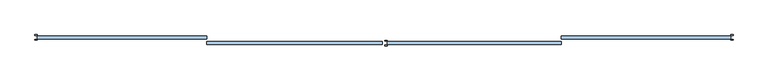
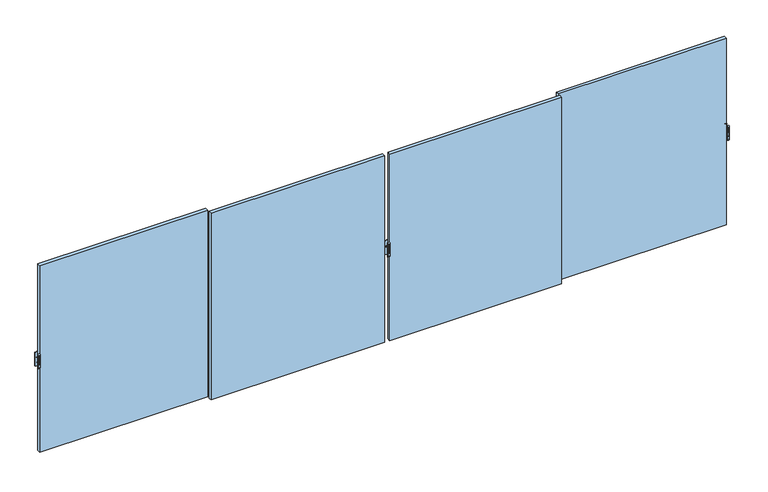
"""IFC4 building model written with IfcOpenShell, lengths in millimetres: window geometry."""

from ifc_helpers import new_model, si_unit, point, frame, frame_2d, origin, place, context, project, spatial, polyline, circle_curve, trimmed, segment, composite_curve, outline, extrude, source, transform, mapped, element, save
from ifc_brep_helpers import plane_surface, cylinder_surface, advanced_brep


def window_227c049d(model_context):
    return source(origin(), model_context, "Body", "SolidModel", [
        extrude(outline(composite_curve([segment(polyline([(-57.5, 2475.2189223), (-57.5, 2539.6559659)]), True, "CONTINUOUS"), segment(trimmed(circle_curve(frame_2d((-46.9370436, 2539.6559659)), 10.5629564), [point((-57.5, 2539.6559659))], [point((-46.9370436, 2550.2189223))], False, "CARTESIAN"), True, "CONTINUOUS"), segment(polyline([(-46.9370436, 2550.2189223), (-51.7185218, 2475.2189223), (-57.5, 2475.2189223)]), True, "CONTINUOUS")], self_intersect=False)), frame((-2828.5110704, 0.0, 0.0), z_axis=(1.0, 0.0, 0.0), x_axis=(0.0, 1.0, 0.0)), (0.0, 0.0, 1.0), 14.8235768),
        advanced_brep(
        [(-2803.1034585, -57.5, 2407.5), (-2803.1034585, -45.5, 2390.0), (-2803.1034585, -45.5, 2650.0), (-2803.1034585, -57.5, 2632.5), (-2839.0571491, -57.5, 2407.5), (-2839.0571491, -57.5, 2632.5), (-2839.0571491, -45.5, 2650.0), (-2839.0571491, -45.5, 2390.0), (-2829.894534, -57.5, 2616.667345), (-2812.30403, -57.5, 2616.667345), (-2812.30403, -57.5, 2460.7687336), (-2829.894534, -57.5, 2460.7687336), (-2812.30403, -46.9370436, 2616.667345), (-2829.894534, -46.9370436, 2616.667345), (-2829.894534, -46.9370436, 2460.7687336), (-2812.30403, -46.9370436, 2460.7687336)],
        [
            (0, 1, circle_curve(frame((-2803.1034585, -38.7395833, 2407.5), z_axis=(1.0, 0.0, 0.0), x_axis=(0.0, 0.0, -1.0)), 18.7604167)),
            (1, 2),
            (2, 3, circle_curve(frame((-2803.1034585, -38.7395833, 2632.5), z_axis=(1.0, 0.0, 0.0), x_axis=(0.0, 0.0, -1.0)), 18.7604167)),
            (3, 0),
            (4, 5),
            (5, 6, circle_curve(frame((-2839.0571491, -38.7395833, 2632.5), z_axis=(-1.0, 0.0, 0.0), x_axis=(0.0, 0.0, -1.0)), 18.7604167)),
            (6, 7),
            (7, 4, circle_curve(frame((-2839.0571491, -38.7395833, 2407.5), z_axis=(-1.0, 0.0, 0.0), x_axis=(0.0, 0.0, -1.0)), 18.7604167)),
            (1, 7),
            (6, 2),
            (3, 5),
            (4, 0),
            (8, 9),
            (9, 10),
            (10, 11),
            (11, 8),
            (12, 13),
            (13, 14),
            (14, 15),
            (15, 12),
            (12, 9),
            (8, 13),
            (11, 14),
            (10, 15),
        ],
        [
            plane_surface(frame((-2803.1034585, -38.7395833, 2388.7395833), z_axis=(1.0, 0.0, 0.0), x_axis=(0.0, 1.0, 0.0))),
            plane_surface(frame((-2839.0571491, -38.7395833, 2388.7395833), z_axis=(-1.0, 0.0, 0.0), x_axis=(0.0, -1.0, 0.0))),
            plane_surface(frame((-2803.1034585, -45.5, 2390.0), z_axis=(0.0, 1.0, 0.0), x_axis=(-1.0, 0.0, 0.0))),
            plane_surface(frame((-2803.1034585, -57.5, 2632.5), z_axis=(0.0, -1.0, 0.0), x_axis=(-1.0, 0.0, 0.0))),
            plane_surface(frame((-2829.894534, -46.9370436, 2616.667345), z_axis=(0.0, -1.0, 0.0), x_axis=(1.0, 0.0, 0.0))),
            plane_surface(frame((-2812.30403, -57.5, 2616.667345), z_axis=(0.0, 0.0, -1.0), x_axis=(0.0, 1.0, 0.0))),
            plane_surface(frame((-2829.894534, -57.5, 2616.667345), z_axis=(1.0, 0.0, 0.0), x_axis=(0.0, 1.0, 0.0))),
            plane_surface(frame((-2829.894534, -57.5, 2460.7687336), z_axis=(0.0, 0.0, 1.0), x_axis=(0.0, 1.0, 0.0))),
            plane_surface(frame((-2812.30403, -57.5, 2460.7687336), z_axis=(-1.0, 0.0, 0.0), x_axis=(0.0, 1.0, 0.0))),
            cylinder_surface(frame((-2839.0571491, -38.7395833, 2407.5), z_axis=(1.0, 0.0, 0.0), x_axis=(0.0, 0.0, -1.0)), 18.7604167),
            cylinder_surface(frame((-2839.0571491, -38.7395833, 2632.5), z_axis=(1.0, 0.0, 0.0), x_axis=(0.0, 0.0, -1.0)), 18.7604167),
        ],
        [
            (0, [[1, 2, 3, 4]]),
            (1, [[5, 6, 7, 8]]),
            (2, [[-2, 9, -7, 10]]),
            (3, [[-4, 11, -5, 12], [13, 14, 15, 16]]),
            (4, [[17, 18, 19, 20]]),
            (5, [[-17, 21, -13, 22]]),
            (6, [[-18, -22, -16, 23]]),
            (7, [[-19, -23, -15, 24]]),
            (8, [[-20, -24, -14, -21]]),
            (9, [[-1, -12, -8, -9]]),
            (10, [[-3, -10, -6, -11]]),
        ],
    ),
        extrude(outline(composite_curve([segment(polyline([(-155.3, 2475.2189223), (-155.3, 2539.6559659)]), True, "CONTINUOUS"), segment(trimmed(circle_curve(frame_2d((-144.7370436, 2539.6559659)), 10.5629564), [point((-155.3, 2539.6559659))], [point((-144.7370436, 2550.2189223))], False, "CARTESIAN"), True, "CONTINUOUS"), segment(polyline([(-144.7370436, 2550.2189223), (-149.5185218, 2475.2189223), (-155.3, 2475.2189223)]), True, "CONTINUOUS")], self_intersect=False)), frame((3126.9417723, 0.0, 0.0), z_axis=(1.0, 0.0, 0.0), x_axis=(0.0, 1.0, 0.0)), (0.0, 0.0, 1.0), 14.8235768),
        advanced_brep(
        [(3152.3493842, -155.3, 2407.5), (3152.3493842, -143.3, 2390.0), (3152.3493842, -143.3, 2650.0), (3152.3493842, -155.3, 2632.5), (3116.3956935, -155.3, 2407.5), (3116.3956935, -155.3, 2632.5), (3116.3956935, -143.3, 2650.0), (3116.3956935, -143.3, 2390.0), (3125.5583087, -155.3, 2616.667345), (3143.1488127, -155.3, 2616.667345), (3143.1488127, -155.3, 2460.7687336), (3125.5583087, -155.3, 2460.7687336), (3143.1488127, -144.7370436, 2616.667345), (3125.5583087, -144.7370436, 2616.667345), (3125.5583087, -144.7370436, 2460.7687336), (3143.1488127, -144.7370436, 2460.7687336)],
        [
            (0, 1, circle_curve(frame((3152.3493842, -136.5395833, 2407.5), z_axis=(1.0, 0.0, 0.0), x_axis=(0.0, 0.0, -1.0)), 18.7604167)),
            (1, 2),
            (2, 3, circle_curve(frame((3152.3493842, -136.5395833, 2632.5), z_axis=(1.0, 0.0, 0.0), x_axis=(0.0, 0.0, -1.0)), 18.7604167)),
            (3, 0),
            (4, 5),
            (5, 6, circle_curve(frame((3116.3956935, -136.5395833, 2632.5), z_axis=(-1.0, 0.0, 0.0), x_axis=(0.0, 0.0, -1.0)), 18.7604167)),
            (6, 7),
            (7, 4, circle_curve(frame((3116.3956935, -136.5395833, 2407.5), z_axis=(-1.0, 0.0, 0.0), x_axis=(0.0, 0.0, -1.0)), 18.7604167)),
            (1, 7),
            (6, 2),
            (3, 5),
            (4, 0),
            (8, 9),
            (9, 10),
            (10, 11),
            (11, 8),
            (12, 13),
            (13, 14),
            (14, 15),
            (15, 12),
            (12, 9),
            (8, 13),
            (11, 14),
            (10, 15),
        ],
        [
            plane_surface(frame((3152.3493842, -136.5395833, 2388.7395833), z_axis=(1.0, 0.0, 0.0), x_axis=(0.0, 1.0, 0.0))),
            plane_surface(frame((3116.3956935, -136.5395833, 2388.7395833), z_axis=(-1.0, 0.0, 0.0), x_axis=(0.0, -1.0, 0.0))),
            plane_surface(frame((3152.3493842, -143.3, 2390.0), z_axis=(0.0, 1.0, 0.0), x_axis=(-1.0, 0.0, 0.0))),
            plane_surface(frame((3152.3493842, -155.3, 2632.5), z_axis=(0.0, -1.0, 0.0), x_axis=(-1.0, 0.0, 0.0))),
            plane_surface(frame((3125.5583087, -144.7370436, 2616.667345), z_axis=(0.0, -1.0, 0.0), x_axis=(1.0, 0.0, 0.0))),
            plane_surface(frame((3143.1488127, -155.3, 2616.667345), z_axis=(0.0, 0.0, -1.0), x_axis=(0.0, 1.0, 0.0))),
            plane_surface(frame((3125.5583087, -155.3, 2616.667345), z_axis=(1.0, 0.0, 0.0), x_axis=(0.0, 1.0, 0.0))),
            plane_surface(frame((3125.5583087, -155.3, 2460.7687336), z_axis=(0.0, 0.0, 1.0), x_axis=(0.0, 1.0, 0.0))),
            plane_surface(frame((3143.1488127, -155.3, 2460.7687336), z_axis=(-1.0, 0.0, 0.0), x_axis=(0.0, 1.0, 0.0))),
            cylinder_surface(frame((3116.3956935, -136.5395833, 2407.5), z_axis=(1.0, 0.0, 0.0), x_axis=(0.0, 0.0, -1.0)), 18.7604167),
            cylinder_surface(frame((3116.3956935, -136.5395833, 2632.5), z_axis=(1.0, 0.0, 0.0), x_axis=(0.0, 0.0, -1.0)), 18.7604167),
        ],
        [
            (0, [[1, 2, 3, 4]]),
            (1, [[5, 6, 7, 8]]),
            (2, [[-2, 9, -7, 10]]),
            (3, [[-4, 11, -5, 12], [13, 14, 15, 16]]),
            (4, [[17, 18, 19, 20]]),
            (5, [[-17, 21, -13, 22]]),
            (6, [[-18, -22, -16, 23]]),
            (7, [[-19, -23, -15, 24]]),
            (8, [[-20, -24, -14, -21]]),
            (9, [[-1, -12, -8, -9]]),
            (10, [[-3, -10, -6, -11]]),
        ],
    ),
        extrude(outline(composite_curve([segment(polyline([(35.3, 2475.2189223), (29.5185218, 2475.2189223), (24.7370436, 2550.2189223)]), True, "CONTINUOUS"), segment(trimmed(circle_curve(frame_2d((24.7370436, 2539.6559659)), 10.5629564), [point((24.7370436, 2550.2189223))], [point((35.3, 2539.6559659))], False, "CARTESIAN"), True, "CONTINUOUS"), segment(polyline([(35.3, 2539.6559659), (35.3, 2475.2189223)]), True, "CONTINUOUS")], self_intersect=False)), frame((-2828.473114, 0.0, 0.0), z_axis=(1.0, 0.0, 0.0), x_axis=(0.0, 1.0, 0.0)), (0.0, 0.0, 1.0), 14.8235768),
        advanced_brep(
        [(-2839.0571491, 35.3, 2407.5), (-2839.0571491, 23.3, 2390.0), (-2839.0571491, 23.3, 2650.0), (-2839.0571491, 35.3, 2632.5), (-2803.1034585, 35.3, 2407.5), (-2803.1034585, 35.3, 2632.5), (-2803.1034585, 23.3, 2650.0), (-2803.1034585, 23.3, 2390.0), (-2812.2660736, 35.3, 2616.667345), (-2829.8565776, 35.3, 2616.667345), (-2829.8565776, 35.3, 2460.7687336), (-2812.2660736, 35.3, 2460.7687336), (-2829.8565776, 24.7370436, 2616.667345), (-2812.2660736, 24.7370436, 2616.667345), (-2812.2660736, 24.7370436, 2460.7687336), (-2829.8565776, 24.7370436, 2460.7687336)],
        [
            (0, 1, circle_curve(frame((-2839.0571491, 16.5395833, 2407.5), z_axis=(-1.0, 0.0, 0.0), x_axis=(0.0, 0.0, -1.0)), 18.7604167)),
            (1, 2),
            (2, 3, circle_curve(frame((-2839.0571491, 16.5395833, 2632.5), z_axis=(-1.0, 0.0, 0.0), x_axis=(0.0, 0.0, -1.0)), 18.7604167)),
            (3, 0),
            (4, 5),
            (5, 6, circle_curve(frame((-2803.1034585, 16.5395833, 2632.5), z_axis=(1.0, 0.0, 0.0), x_axis=(0.0, 0.0, -1.0)), 18.7604167)),
            (6, 7),
            (7, 4, circle_curve(frame((-2803.1034585, 16.5395833, 2407.5), z_axis=(1.0, 0.0, 0.0), x_axis=(0.0, 0.0, -1.0)), 18.7604167)),
            (1, 7),
            (6, 2),
            (3, 5),
            (4, 0),
            (8, 9),
            (9, 10),
            (10, 11),
            (11, 8),
            (12, 13),
            (13, 14),
            (14, 15),
            (15, 12),
            (12, 9),
            (8, 13),
            (11, 14),
            (10, 15),
        ],
        [
            plane_surface(frame((-2839.0571491, 16.5395833, 2388.7395833), z_axis=(-1.0, 0.0, 0.0), x_axis=(0.0, -1.0, 0.0))),
            plane_surface(frame((-2803.1034585, 16.5395833, 2388.7395833), z_axis=(1.0, 0.0, 0.0), x_axis=(0.0, 1.0, 0.0))),
            plane_surface(frame((-2839.0571491, 23.3, 2390.0), z_axis=(0.0, -1.0, 0.0), x_axis=(1.0, 0.0, 0.0))),
            plane_surface(frame((-2839.0571491, 35.3, 2632.5), z_axis=(0.0, 1.0, 0.0), x_axis=(1.0, 0.0, 0.0))),
            plane_surface(frame((-2812.2660736, 24.7370436, 2616.667345), z_axis=(0.0, 1.0, 0.0), x_axis=(-1.0, 0.0, 0.0))),
            plane_surface(frame((-2829.8565776, 35.3, 2616.667345), z_axis=(0.0, 0.0, -1.0), x_axis=(0.0, -1.0, 0.0))),
            plane_surface(frame((-2812.2660736, 35.3, 2616.667345), z_axis=(-1.0, 0.0, 0.0), x_axis=(0.0, -1.0, 0.0))),
            plane_surface(frame((-2812.2660736, 35.3, 2460.7687336), z_axis=(0.0, 0.0, 1.0), x_axis=(0.0, -1.0, 0.0))),
            plane_surface(frame((-2829.8565776, 35.3, 2460.7687336), z_axis=(1.0, 0.0, 0.0), x_axis=(0.0, -1.0, 0.0))),
            cylinder_surface(frame((-2803.1034585, 16.5395833, 2407.5), z_axis=(-1.0, 0.0, 0.0), x_axis=(0.0, 0.0, -1.0)), 18.7604167),
            cylinder_surface(frame((-2803.1034585, 16.5395833, 2632.5), z_axis=(-1.0, 0.0, 0.0), x_axis=(0.0, 0.0, -1.0)), 18.7604167),
        ],
        [
            (0, [[1, 2, 3, 4]]),
            (1, [[5, 6, 7, 8]]),
            (2, [[-2, 9, -7, 10]]),
            (3, [[-4, 11, -5, 12], [13, 14, 15, 16]]),
            (4, [[17, 18, 19, 20]]),
            (5, [[-17, 21, -13, 22]]),
            (6, [[-18, -22, -16, 23]]),
            (7, [[-19, -23, -15, 24]]),
            (8, [[-20, -24, -14, -21]]),
            (9, [[-1, -12, -8, -9]]),
            (10, [[-3, -10, -6, -11]]),
        ],
    ),
        extrude(outline(composite_curve([segment(polyline([(-62.5, 2475.2189223), (-68.2814782, 2475.2189223), (-73.0629564, 2550.2189223)]), True, "CONTINUOUS"), segment(trimmed(circle_curve(frame_2d((-73.0629564, 2539.6559659)), 10.5629564), [point((-73.0629564, 2550.2189223))], [point((-62.5, 2539.6559659))], False, "CARTESIAN"), True, "CONTINUOUS"), segment(polyline([(-62.5, 2539.6559659), (-62.5, 2475.2189223)]), True, "CONTINUOUS")], self_intersect=False)), frame((3126.9797286, 0.0, 0.0), z_axis=(1.0, 0.0, 0.0), x_axis=(0.0, 1.0, 0.0)), (0.0, 0.0, 1.0), 14.8235768),
        advanced_brep(
        [(3116.3956935, -62.5, 2407.5), (3116.3956935, -74.5, 2390.0), (3116.3956935, -74.5, 2650.0), (3116.3956935, -62.5, 2632.5), (3152.3493842, -62.5, 2407.5), (3152.3493842, -62.5, 2632.5), (3152.3493842, -74.5, 2650.0), (3152.3493842, -74.5, 2390.0), (3143.186769, -62.5, 2616.667345), (3125.596265, -62.5, 2616.667345), (3125.596265, -62.5, 2460.7687336), (3143.186769, -62.5, 2460.7687336), (3125.596265, -73.0629564, 2616.667345), (3143.186769, -73.0629564, 2616.667345), (3143.186769, -73.0629564, 2460.7687336), (3125.596265, -73.0629564, 2460.7687336)],
        [
            (0, 1, circle_curve(frame((3116.3956935, -81.2604167, 2407.5), z_axis=(-1.0, 0.0, 0.0), x_axis=(0.0, 0.0, -1.0)), 18.7604167)),
            (1, 2),
            (2, 3, circle_curve(frame((3116.3956935, -81.2604167, 2632.5), z_axis=(-1.0, 0.0, 0.0), x_axis=(0.0, 0.0, -1.0)), 18.7604167)),
            (3, 0),
            (4, 5),
            (5, 6, circle_curve(frame((3152.3493842, -81.2604167, 2632.5), z_axis=(1.0, 0.0, 0.0), x_axis=(0.0, 0.0, -1.0)), 18.7604167)),
            (6, 7),
            (7, 4, circle_curve(frame((3152.3493842, -81.2604167, 2407.5), z_axis=(1.0, 0.0, 0.0), x_axis=(0.0, 0.0, -1.0)), 18.7604167)),
            (1, 7),
            (6, 2),
            (3, 5),
            (4, 0),
            (8, 9),
            (9, 10),
            (10, 11),
            (11, 8),
            (12, 13),
            (13, 14),
            (14, 15),
            (15, 12),
            (12, 9),
            (8, 13),
            (11, 14),
            (10, 15),
        ],
        [
            plane_surface(frame((3116.3956935, -81.2604167, 2388.7395833), z_axis=(-1.0, 0.0, 0.0), x_axis=(0.0, -1.0, 0.0))),
            plane_surface(frame((3152.3493842, -81.2604167, 2388.7395833), z_axis=(1.0, 0.0, 0.0), x_axis=(0.0, 1.0, 0.0))),
            plane_surface(frame((3116.3956935, -74.5, 2390.0), z_axis=(0.0, -1.0, 0.0), x_axis=(1.0, 0.0, 0.0))),
            plane_surface(frame((3116.3956935, -62.5, 2632.5), z_axis=(0.0, 1.0, 0.0), x_axis=(1.0, 0.0, 0.0))),
            plane_surface(frame((3143.186769, -73.0629564, 2616.667345), z_axis=(0.0, 1.0, 0.0), x_axis=(-1.0, 0.0, 0.0))),
            plane_surface(frame((3125.596265, -62.5, 2616.667345), z_axis=(0.0, 0.0, -1.0), x_axis=(0.0, -1.0, 0.0))),
            plane_surface(frame((3143.186769, -62.5, 2616.667345), z_axis=(-1.0, 0.0, 0.0), x_axis=(0.0, -1.0, 0.0))),
            plane_surface(frame((3143.186769, -62.5, 2460.7687336), z_axis=(0.0, 0.0, 1.0), x_axis=(0.0, -1.0, 0.0))),
            plane_surface(frame((3125.596265, -62.5, 2460.7687336), z_axis=(1.0, 0.0, 0.0), x_axis=(0.0, -1.0, 0.0))),
            cylinder_surface(frame((3152.3493842, -81.2604167, 2407.5), z_axis=(-1.0, 0.0, 0.0), x_axis=(0.0, 0.0, -1.0)), 18.7604167),
            cylinder_surface(frame((3152.3493842, -81.2604167, 2632.5), z_axis=(-1.0, 0.0, 0.0), x_axis=(0.0, 0.0, -1.0)), 18.7604167),
        ],
        [
            (0, [[1, 2, 3, 4]]),
            (1, [[5, 6, 7, 8]]),
            (2, [[-2, 9, -7, 10]]),
            (3, [[-4, 11, -5, 12], [13, 14, 15, 16]]),
            (4, [[17, 18, 19, 20]]),
            (5, [[-17, 21, -13, 22]]),
            (6, [[-18, -22, -16, 23]]),
            (7, [[-19, -23, -15, 24]]),
            (8, [[-20, -24, -14, -21]]),
            (9, [[-1, -12, -8, -9]]),
            (10, [[-3, -10, -6, -11]]),
        ],
    ),
        extrude(outline(composite_curve([segment(polyline([(-57.5, 2475.2189223), (-57.5, 2539.6559659)]), True, "CONTINUOUS"), segment(trimmed(circle_curve(frame_2d((-46.9370436, 2539.6559659)), 10.5629564), [point((-57.5, 2539.6559659))], [point((-46.9370436, 2550.2189223))], False, "CARTESIAN"), True, "CONTINUOUS"), segment(polyline([(-46.9370436, 2550.2189223), (-51.7185218, 2475.2189223), (-57.5, 2475.2189223)]), True, "CONTINUOUS")], self_intersect=False)), frame((9013.6958464, 0.0, 0.0), z_axis=(1.0, 0.0, 0.0), x_axis=(0.0, 1.0, 0.0)), (0.0, 0.0, 1.0), 14.8235768),
        advanced_brep(
        [(9039.1034583, -57.5, 2407.5), (9039.1034583, -45.5, 2390.0), (9039.1034583, -45.5, 2650.0), (9039.1034583, -57.5, 2632.5), (9003.1497677, -57.5, 2407.5), (9003.1497677, -57.5, 2632.5), (9003.1497677, -45.5, 2650.0), (9003.1497677, -45.5, 2390.0), (9012.3123828, -57.5, 2616.667345), (9029.9028868, -57.5, 2616.667345), (9029.9028868, -57.5, 2460.7687336), (9012.3123828, -57.5, 2460.7687336), (9029.9028868, -46.9370436, 2616.667345), (9012.3123828, -46.9370436, 2616.667345), (9012.3123828, -46.9370436, 2460.7687336), (9029.9028868, -46.9370436, 2460.7687336)],
        [
            (0, 1, circle_curve(frame((9039.1034583, -38.7395833, 2407.5), z_axis=(1.0, 0.0, 0.0), x_axis=(0.0, 0.0, -1.0)), 18.7604167)),
            (1, 2),
            (2, 3, circle_curve(frame((9039.1034583, -38.7395833, 2632.5), z_axis=(1.0, 0.0, 0.0), x_axis=(0.0, 0.0, -1.0)), 18.7604167)),
            (3, 0),
            (4, 5),
            (5, 6, circle_curve(frame((9003.1497677, -38.7395833, 2632.5), z_axis=(-1.0, 0.0, 0.0), x_axis=(0.0, 0.0, -1.0)), 18.7604167)),
            (6, 7),
            (7, 4, circle_curve(frame((9003.1497677, -38.7395833, 2407.5), z_axis=(-1.0, 0.0, 0.0), x_axis=(0.0, 0.0, -1.0)), 18.7604167)),
            (1, 7),
            (6, 2),
            (3, 5),
            (4, 0),
            (8, 9),
            (9, 10),
            (10, 11),
            (11, 8),
            (12, 13),
            (13, 14),
            (14, 15),
            (15, 12),
            (12, 9),
            (8, 13),
            (11, 14),
            (10, 15),
        ],
        [
            plane_surface(frame((9039.1034583, -38.7395833, 2388.7395833), z_axis=(1.0, 0.0, 0.0), x_axis=(0.0, 1.0, 0.0))),
            plane_surface(frame((9003.1497677, -38.7395833, 2388.7395833), z_axis=(-1.0, 0.0, 0.0), x_axis=(0.0, -1.0, 0.0))),
            plane_surface(frame((9039.1034583, -45.5, 2390.0), z_axis=(0.0, 1.0, 0.0), x_axis=(-1.0, 0.0, 0.0))),
            plane_surface(frame((9039.1034583, -57.5, 2632.5), z_axis=(0.0, -1.0, 0.0), x_axis=(-1.0, 0.0, 0.0))),
            plane_surface(frame((9012.3123828, -46.9370436, 2616.667345), z_axis=(0.0, -1.0, 0.0), x_axis=(1.0, 0.0, 0.0))),
            plane_surface(frame((9029.9028868, -57.5, 2616.667345), z_axis=(0.0, 0.0, -1.0), x_axis=(0.0, 1.0, 0.0))),
            plane_surface(frame((9012.3123828, -57.5, 2616.667345), z_axis=(1.0, 0.0, 0.0), x_axis=(0.0, 1.0, 0.0))),
            plane_surface(frame((9012.3123828, -57.5, 2460.7687336), z_axis=(0.0, 0.0, 1.0), x_axis=(0.0, 1.0, 0.0))),
            plane_surface(frame((9029.9028868, -57.5, 2460.7687336), z_axis=(-1.0, 0.0, 0.0), x_axis=(0.0, 1.0, 0.0))),
            cylinder_surface(frame((9003.1497677, -38.7395833, 2407.5), z_axis=(1.0, 0.0, 0.0), x_axis=(0.0, 0.0, -1.0)), 18.7604167),
            cylinder_surface(frame((9003.1497677, -38.7395833, 2632.5), z_axis=(1.0, 0.0, 0.0), x_axis=(0.0, 0.0, -1.0)), 18.7604167),
        ],
        [
            (0, [[1, 2, 3, 4]]),
            (1, [[5, 6, 7, 8]]),
            (2, [[-2, 9, -7, 10]]),
            (3, [[-4, 11, -5, 12], [13, 14, 15, 16]]),
            (4, [[17, 18, 19, 20]]),
            (5, [[-17, 21, -13, 22]]),
            (6, [[-18, -22, -16, 23]]),
            (7, [[-19, -23, -15, 24]]),
            (8, [[-20, -24, -14, -21]]),
            (9, [[-1, -12, -8, -9]]),
            (10, [[-3, -10, -6, -11]]),
        ],
    ),
        extrude(outline(composite_curve([segment(polyline([(35.3, 2475.2189223), (29.5185218, 2475.2189223), (24.7370436, 2550.2189223)]), True, "CONTINUOUS"), segment(trimmed(circle_curve(frame_2d((24.7370436, 2539.6559659)), 10.5629564), [point((24.7370436, 2550.2189223))], [point((35.3, 2539.6559659))], False, "CARTESIAN"), True, "CONTINUOUS"), segment(polyline([(35.3, 2539.6559659), (35.3, 2475.2189223)]), True, "CONTINUOUS")], self_intersect=False)), frame((9013.7338028, 0.0, 0.0), z_axis=(1.0, 0.0, 0.0), x_axis=(0.0, 1.0, 0.0)), (0.0, 0.0, 1.0), 14.8235768),
        advanced_brep(
        [(9003.1497677, 35.3, 2407.5), (9003.1497677, 23.3, 2390.0), (9003.1497677, 23.3, 2650.0), (9003.1497677, 35.3, 2632.5), (9039.1034583, 35.3, 2407.5), (9039.1034583, 35.3, 2632.5), (9039.1034583, 23.3, 2650.0), (9039.1034583, 23.3, 2390.0), (9029.9408432, 35.3, 2616.667345), (9012.3503392, 35.3, 2616.667345), (9012.3503392, 35.3, 2460.7687336), (9029.9408432, 35.3, 2460.7687336), (9012.3503392, 24.7370436, 2616.667345), (9029.9408432, 24.7370436, 2616.667345), (9029.9408432, 24.7370436, 2460.7687336), (9012.3503392, 24.7370436, 2460.7687336)],
        [
            (0, 1, circle_curve(frame((9003.1497677, 16.5395833, 2407.5), z_axis=(-1.0, 0.0, 0.0), x_axis=(0.0, 0.0, -1.0)), 18.7604167)),
            (1, 2),
            (2, 3, circle_curve(frame((9003.1497677, 16.5395833, 2632.5), z_axis=(-1.0, 0.0, 0.0), x_axis=(0.0, 0.0, -1.0)), 18.7604167)),
            (3, 0),
            (4, 5),
            (5, 6, circle_curve(frame((9039.1034583, 16.5395833, 2632.5), z_axis=(1.0, 0.0, 0.0), x_axis=(0.0, 0.0, -1.0)), 18.7604167)),
            (6, 7),
            (7, 4, circle_curve(frame((9039.1034583, 16.5395833, 2407.5), z_axis=(1.0, 0.0, 0.0), x_axis=(0.0, 0.0, -1.0)), 18.7604167)),
            (1, 7),
            (6, 2),
            (3, 5),
            (4, 0),
            (8, 9),
            (9, 10),
            (10, 11),
            (11, 8),
            (12, 13),
            (13, 14),
            (14, 15),
            (15, 12),
            (12, 9),
            (8, 13),
            (11, 14),
            (10, 15),
        ],
        [
            plane_surface(frame((9003.1497677, 16.5395833, 2388.7395833), z_axis=(-1.0, 0.0, 0.0), x_axis=(0.0, -1.0, 0.0))),
            plane_surface(frame((9039.1034583, 16.5395833, 2388.7395833), z_axis=(1.0, 0.0, 0.0), x_axis=(0.0, 1.0, 0.0))),
            plane_surface(frame((9003.1497677, 23.3, 2390.0), z_axis=(0.0, -1.0, 0.0), x_axis=(1.0, 0.0, 0.0))),
            plane_surface(frame((9003.1497677, 35.3, 2632.5), z_axis=(0.0, 1.0, 0.0), x_axis=(1.0, 0.0, 0.0))),
            plane_surface(frame((9029.9408432, 24.7370436, 2616.667345), z_axis=(0.0, 1.0, 0.0), x_axis=(-1.0, 0.0, 0.0))),
            plane_surface(frame((9012.3503392, 35.3, 2616.667345), z_axis=(0.0, 0.0, -1.0), x_axis=(0.0, -1.0, 0.0))),
            plane_surface(frame((9029.9408432, 35.3, 2616.667345), z_axis=(-1.0, 0.0, 0.0), x_axis=(0.0, -1.0, 0.0))),
            plane_surface(frame((9029.9408432, 35.3, 2460.7687336), z_axis=(0.0, 0.0, 1.0), x_axis=(0.0, -1.0, 0.0))),
            plane_surface(frame((9012.3503392, 35.3, 2460.7687336), z_axis=(1.0, 0.0, 0.0), x_axis=(0.0, -1.0, 0.0))),
            cylinder_surface(frame((9039.1034583, 16.5395833, 2407.5), z_axis=(-1.0, 0.0, 0.0), x_axis=(0.0, 0.0, -1.0)), 18.7604167),
            cylinder_surface(frame((9039.1034583, 16.5395833, 2632.5), z_axis=(-1.0, 0.0, 0.0), x_axis=(0.0, 0.0, -1.0)), 18.7604167),
        ],
        [
            (0, [[1, 2, 3, 4]]),
            (1, [[5, 6, 7, 8]]),
            (2, [[-2, 9, -7, 10]]),
            (3, [[-4, 11, -5, 12], [13, 14, 15, 16]]),
            (4, [[17, 18, 19, 20]]),
            (5, [[-17, 21, -13, 22]]),
            (6, [[-18, -22, -16, 23]]),
            (7, [[-19, -23, -15, 24]]),
            (8, [[-20, -24, -14, -21]]),
            (9, [[-1, -12, -8, -9]]),
            (10, [[-3, -10, -6, -11]]),
        ],
    ),
        extrude(outline(polyline([(6112.0, -38.0), (6112.0, 16.0), (8998.5, 16.0), (8998.5, -38.0), (6112.0, -38.0)])), frame((0.0, 0.0, 857.0), z_axis=(0.0, 0.0, 1.0), x_axis=(1.0, 0.0, 0.0)), (0.0, 0.0, 1.0), 3386.0),
        extrude(outline(polyline([(3157.0, -82.0), (6112.0, -82.0), (6112.0, -136.0), (3157.0, -136.0), (3157.0, -82.0)])), frame((0.0, 0.0, 857.0), z_axis=(0.0, 0.0, 1.0), x_axis=(1.0, 0.0, 0.0)), (0.0, 0.0, 1.0), 3386.0),
        extrude(outline(polyline([(3068.9, -82.0), (3068.9, -136.0), (87.0, -136.0), (87.0, -82.0), (3068.9, -82.0)])), frame((0.0, 0.0, 857.0), z_axis=(0.0, 0.0, 1.0), x_axis=(1.0, 0.0, 0.0)), (0.0, 0.0, 1.0), 3386.0),
        extrude(outline(polyline([(-2798.5, 16.0), (87.0, 16.0), (87.0, -38.0), (-2798.5, -38.0), (-2798.5, 16.0)])), frame((0.0, 0.0, 857.0), z_axis=(0.0, 0.0, 1.0), x_axis=(1.0, 0.0, 0.0)), (0.0, 0.0, 1.0), 3386.0),
    ])


if __name__ == "__main__":
    model = new_model("IFC4")
    model_context = context("Model", 3, world=origin())
    ifc_project = project(units=[si_unit("LENGTHUNIT", "METRE", prefix="MILLI")], contexts=[model_context])
    site = spatial("IfcSite", under=ifc_project)
    building = spatial("IfcBuilding", under=site)
    placement = place(None, origin())
    window_shape = window_227c049d(model_context)
    element("IfcWindow", 1, at=placement, inside=building, context=model_context, shape_type="MappedRepresentation", body=[
        mapped(window_shape, transform((0.0, 0.0, 0.0), x_axis=(1.0, 0.0, 0.0), y_axis=(0.0, 1.0, 0.0), z_axis=(0.0, 0.0, 1.0))),
    ])
    save(model, "model.ifc")
